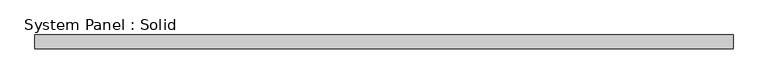
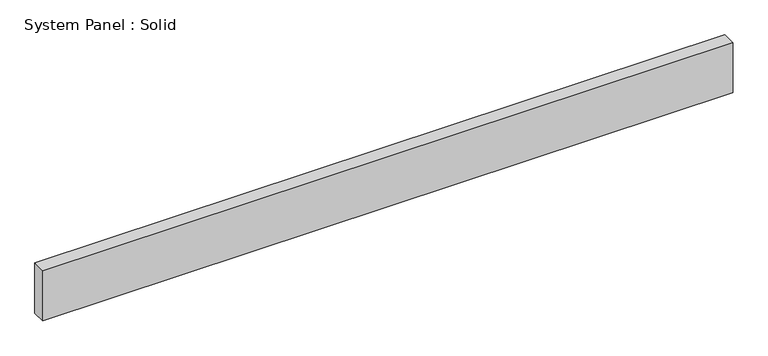
"""IFC4 building model written with IfcOpenShell, lengths in millimetres: plate geometry, System Panel : Solid."""

from ifc_helpers import new_model, si_unit, origin, origin_with_axes, place, context, project, spatial, polyline, outline, extrude, source, transform, mapped, element, save


def system_panel_solid_f0c83f02(model_context):
    return source(origin(), model_context, "Body", "SweptSolid", [
        extrude(outline(polyline([(1500.0, -10.5), (-1500.0, -10.5), (-1500.0, 49.5), (1500.0, 49.5), (1500.0, -10.5)])), origin_with_axes(), (0.0, 0.0, 1.0), 230.1077989),
    ])


if __name__ == "__main__":
    model = new_model("IFC4")
    model_context = context("Model", 3, world=origin())
    ifc_project = project(units=[si_unit("LENGTHUNIT", "METRE", prefix="MILLI")], contexts=[model_context])
    site = spatial("IfcSite", under=ifc_project)
    building = spatial("IfcBuilding", under=site)
    placement = place(None, origin())
    system_panel_solid_shape = system_panel_solid_f0c83f02(model_context)
    element("IfcPlate", 1, ObjectType="System Panel : Solid", at=placement, inside=building, context=model_context, shape_type="MappedRepresentation", body=[
        mapped(system_panel_solid_shape, transform((0.0, 0.0, 0.0), x_axis=(1.0, 0.0, 0.0), y_axis=(0.0, 1.0, 0.0), z_axis=(0.0, 0.0, 1.0))),
    ])
    save(model, "model.ifc")
